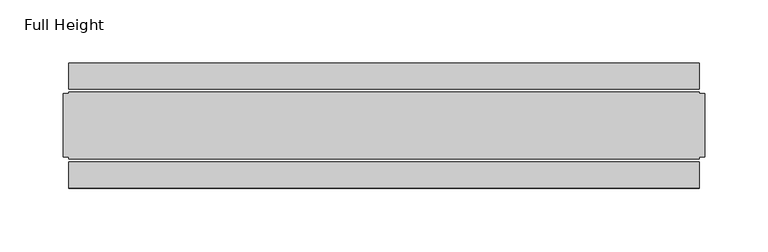
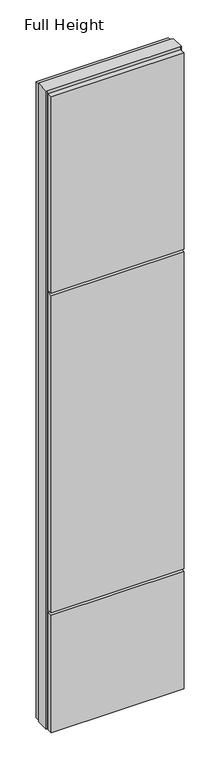
"""IFC4 building model written with IfcOpenShell, lengths in millimetres: plate geometry, Full Height."""

from ifc_helpers import new_model, si_unit, frame, origin, origin_with_axes, place, context, project, spatial, polyline, outline, extrude, source, transform, mapped, element, save


def full_height_cac8e8cc(model_context):
    return source(origin(), model_context, "Body", "SweptSolid", [
        extrude(outline(polyline([(249.428, 28.956), (-249.428, 28.956), (-249.428, 49.53), (249.428, 49.53), (249.428, 28.956)])), origin_with_axes(), (0.0, 0.0, 1.0), 2526.792),
        extrude(outline(polyline([(249.428, -28.956), (249.428, -49.53), (-249.428, -49.53), (-249.428, -28.956), (249.428, -28.956)])), frame((0.0, 0.0, 1745.996), z_axis=(0.0, 0.0, 1.0), x_axis=(1.0, 0.0, 0.0)), (0.0, 0.0, 1.0), 780.796),
        extrude(outline(polyline([(249.428, -28.956), (249.428, -49.53), (-249.428, -49.53), (-249.428, -28.956), (249.428, -28.956)])), frame((0.0, 0.0, 475.996), z_axis=(0.0, 0.0, 1.0), x_axis=(1.0, 0.0, 0.0)), (0.0, 0.0, 1.0), 1260.856),
        extrude(outline(polyline([(249.428, -28.956), (249.428, -49.53), (-249.428, -49.53), (-249.428, -28.956), (249.428, -28.956)])), origin_with_axes(), (0.0, 0.0, 1.0), 466.852),
        extrude(outline(polyline([(249.428, -25.146), (249.428, -26.67), (-249.428, -26.67), (-249.428, -25.146), (-254.0, -25.146), (-254.0, 25.146), (-249.428, 25.146), (-249.428, 26.67), (249.428, 26.67), (249.428, 25.146), (254.0, 25.146), (254.0, -25.146), (249.428, -25.146)])), origin_with_axes(), (0.0, 0.0, 1.0), 2535.936),
    ])


if __name__ == "__main__":
    model = new_model("IFC4")
    model_context = context("Model", 3, world=origin())
    ifc_project = project(units=[si_unit("LENGTHUNIT", "METRE", prefix="MILLI")], contexts=[model_context])
    site = spatial("IfcSite", under=ifc_project)
    building = spatial("IfcBuilding", under=site)
    placement = place(None, origin())
    full_height_shape = full_height_cac8e8cc(model_context)
    element("IfcPlate", 1, ObjectType="Full Height", at=placement, inside=building, context=model_context, shape_type="MappedRepresentation", body=[
        mapped(full_height_shape, transform((0.0, 0.0, 0.0), x_axis=(1.0, 0.0, 0.0), y_axis=(0.0, 1.0, 0.0), z_axis=(0.0, 0.0, 1.0))),
    ])
    save(model, "model.ifc")
